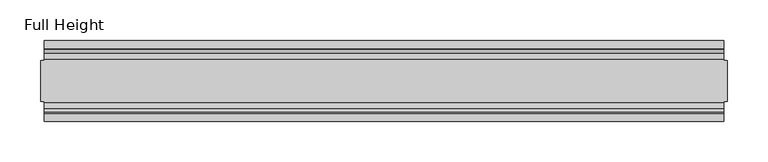
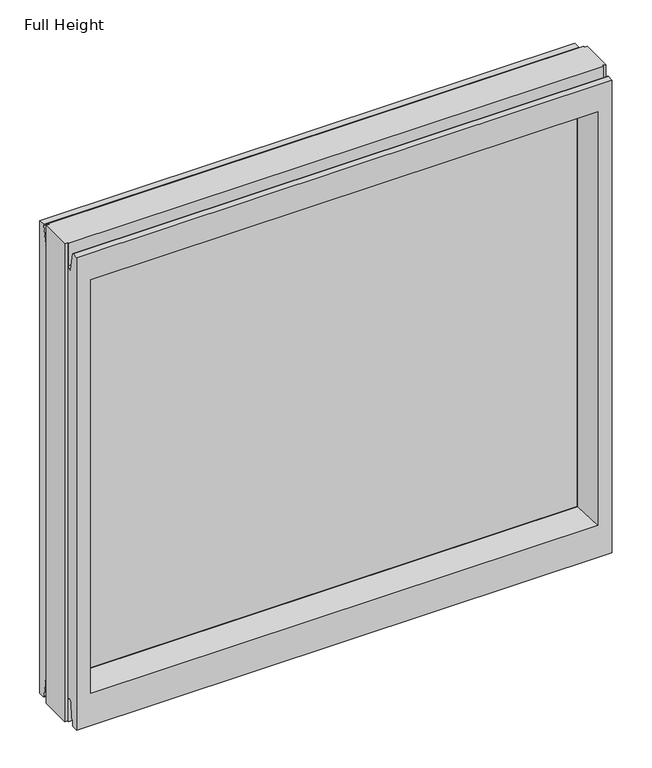
"""IFC4 building model written with IfcOpenShell, lengths in millimetres: plate geometry, Full Height."""

from ifc_helpers import new_model, si_unit, frame, origin, place, context, project, spatial, polyline, circle_curve, outline, extrude, source, transform, mapped, element, save
from ifc_brep_helpers import plane_surface, cylinder_surface, revolved_surface, advanced_brep


def full_height_12fe205a(model_context):
    return source(origin(), model_context, "Body", "SolidModel", [
        advanced_brep(
        [(423.0499086, -25.146, 789.94), (423.0499086, -25.146, 0.0), (423.0499086, 25.146, 0.0), (423.0499086, 25.146, 789.94), (-423.0499086, 25.146, 789.94), (-423.0499086, 25.146, 0.0), (-423.0499086, -25.146, 0.0), (-423.0499086, -25.146, 789.94), (418.4779086, 25.146, 789.94), (418.4779086, 26.67, 789.94), (-418.4779086, 26.67, 789.94), (-418.4779086, 25.146, 789.94), (-418.4779086, -25.146, 789.94), (-418.4779086, -26.67, 789.94), (418.4779086, -26.67, 789.94), (418.4779086, -25.146, 789.94), (418.4779086, -25.146, 0.0), (418.4779086, -26.67, 0.0), (-418.4779086, -26.67, 0.0), (-418.4779086, -25.146, 0.0), (-418.4779086, 25.146, 0.0), (-418.4779086, 26.67, 0.0), (418.4779086, 26.67, 0.0), (418.4779086, 25.146, 0.0), (-418.4779086, -40.7946686, 0.0), (418.4779086, -40.7946686, 0.0), (418.4779086, -50.0, 0.0), (-418.4779086, -50.0, 0.0), (418.4779086, -26.67, 36.4542208), (-418.4779086, -26.67, 36.4542208), (-418.4779086, 26.67, 752.729), (-418.4779086, 34.2321175, 752.0674004), (-418.4779086, 39.1867152, 780.1663199), (-418.4779086, 39.9371387, 780.796), (-418.4779086, 50.0, 780.796), (-418.4779086, 50.0, 0.0), (-418.4779086, 40.7946686, 0.0), (-418.4779086, 39.5246686, 1.27), (-418.4779086, 39.5246686, 7.9074686), (-418.4779086, 39.043018, 8.6755976), (-418.4779086, 36.9464913, 11.6561909), (-418.4779086, 34.2686707, 36.8568054), (-418.4779086, 26.67, 36.4542208), (-418.4779086, -50.0, 780.796), (-418.4779086, -39.9371387, 780.796), (-418.4779086, -39.1867152, 780.1663199), (-418.4779086, -34.2321175, 752.0674004), (-418.4779086, -26.67, 752.729), (-418.4779086, -34.2686707, 36.8568054), (-418.4779086, -36.9464913, 11.6561909), (-418.4779086, -39.043018, 8.6755976), (-418.4779086, -39.5246686, 7.9074686), (-418.4779086, -39.5246686, 1.27), (418.4779086, 50.0, 780.796), (418.4779086, 50.0, 0.0), (-396.3799086, 50.0, 736.219), (-396.3799086, 50.0, 52.8372208), (396.3799086, 50.0, 52.8372208), (396.3799086, 50.0, 736.219), (418.4779086, -50.0, 780.796), (-396.3799086, -50.0, 52.8372208), (-396.3799086, -50.0, 736.219), (396.3799086, -50.0, 736.219), (396.3799086, -50.0, 52.8372208), (-390.4109086, 6.1006519, 730.25), (-390.4109086, 6.1006519, 58.8062208), (-390.4109086, -6.1006519, 58.8062208), (-390.4109086, -6.1006519, 730.25), (390.4109086, -6.1006519, 730.25), (390.4109086, -6.1006519, 58.8062208), (390.4109086, 6.1006519, 730.25), (390.4109086, 6.1006519, 58.8062208), (418.4779086, -39.5246686, 1.27), (418.4779086, -39.5246686, 7.9074686), (418.4779086, -39.043018, 8.6755976), (418.4779086, -36.9464913, 11.6561909), (418.4779086, -34.2686707, 36.8568054), (418.4779086, -26.67, 752.729), (418.4779086, -34.2321175, 752.0674004), (418.4779086, -39.1867152, 780.1663199), (418.4779086, -39.9371387, 780.796), (418.4779086, 39.9371387, 780.796), (418.4779086, 39.1867152, 780.1663199), (418.4779086, 34.2321175, 752.0674004), (418.4779086, 26.67, 752.729), (418.4779086, 26.67, 36.4542208), (418.4779086, 34.2686707, 36.8568054), (418.4779086, 36.9464913, 11.6561909), (418.4779086, 39.043018, 8.6755976), (418.4779086, 39.5246686, 7.9074686), (418.4779086, 39.5246686, 1.27), (418.4779086, 40.7946686, 0.0)],
        [
            (0, 1),
            (1, 2),
            (2, 3),
            (3, 0),
            (4, 5),
            (5, 6),
            (6, 7),
            (7, 4),
            (3, 8),
            (8, 9),
            (9, 10),
            (10, 11),
            (11, 4),
            (7, 12),
            (12, 13),
            (13, 14),
            (14, 15),
            (15, 0),
            (1, 16),
            (16, 17),
            (17, 18),
            (18, 19),
            (19, 6),
            (5, 20),
            (20, 21),
            (21, 22),
            (22, 23),
            (23, 2),
            (15, 16),
            (23, 8),
            (11, 20),
            (19, 12),
            (24, 25),
            (25, 26),
            (26, 27),
            (27, 24),
            (17, 28),
            (28, 29),
            (29, 18),
            (10, 30),
            (30, 31, circle_curve(frame((-418.4779086, 30.48, 752.729), z_axis=(1.0, 0.0, 0.0), x_axis=(0.0, 1.0, 0.0)), 3.81)),
            (31, 32),
            (32, 33, circle_curve(frame((-418.4779086, 39.9371387, 780.034), z_axis=(-1.0, 0.0, 0.0), x_axis=(0.0, 1.0, 0.0)), 0.762)),
            (33, 34),
            (34, 35),
            (35, 36),
            (36, 37, circle_curve(frame((-418.4779086, 40.7946686, 1.27), z_axis=(-1.0, 0.0, 0.0), x_axis=(0.0, 1.0, 0.0)), 1.27)),
            (37, 38),
            (38, 39, circle_curve(frame((-418.4779086, 38.671343, 7.9074686), z_axis=(1.0, 0.0, 0.0), x_axis=(0.0, 1.0, 0.0)), 0.8533256)),
            (39, 40, circle_curve(frame((-418.4779086, 40.6770502, 12.0526006), z_axis=(-1.0, 0.0, 0.0), x_axis=(0.0, 1.0, 0.0)), 3.751561)),
            (40, 41),
            (41, 42, circle_curve(frame((-418.4779086, 30.48, 36.4542208), z_axis=(1.0, 0.0, 0.0), x_axis=(0.0, 1.0, 0.0)), 3.81)),
            (42, 21),
            (27, 43),
            (43, 44),
            (44, 45, circle_curve(frame((-418.4779086, -39.9371387, 780.034), z_axis=(-1.0, 0.0, 0.0), x_axis=(0.0, 1.0, 0.0)), 0.762)),
            (45, 46),
            (46, 47, circle_curve(frame((-418.4779086, -30.48, 752.729), z_axis=(1.0, 0.0, 0.0), x_axis=(0.0, 1.0, 0.0)), 3.81)),
            (47, 13),
            (29, 48, circle_curve(frame((-418.4779086, -30.48, 36.4542208), z_axis=(1.0, 0.0, 0.0), x_axis=(0.0, 1.0, 0.0)), 3.81)),
            (48, 49),
            (49, 50, circle_curve(frame((-418.4779086, -40.6770502, 12.0526006), z_axis=(-1.0, 0.0, 0.0), x_axis=(0.0, 1.0, 0.0)), 3.751561)),
            (50, 51, circle_curve(frame((-418.4779086, -38.671343, 7.9074686), z_axis=(1.0, 0.0, 0.0), x_axis=(0.0, 1.0, 0.0)), 0.8533256)),
            (51, 52),
            (52, 24, circle_curve(frame((-418.4779086, -40.7946686, 1.27), z_axis=(-1.0, 0.0, 0.0), x_axis=(0.0, 1.0, 0.0)), 1.27)),
            (34, 53),
            (53, 54),
            (54, 35),
            (55, 56),
            (56, 57),
            (57, 58),
            (58, 55),
            (26, 59),
            (59, 43),
            (60, 61),
            (61, 62),
            (62, 63),
            (63, 60),
            (55, 64),
            (64, 65),
            (65, 56),
            (60, 66),
            (66, 67),
            (67, 61),
            (62, 68),
            (68, 69),
            (69, 63),
            (70, 58),
            (57, 71),
            (71, 70),
            (25, 72, circle_curve(frame((418.4779086, -40.7946686, 1.27), z_axis=(1.0, 0.0, 0.0), x_axis=(0.0, 1.0, 0.0)), 1.27)),
            (72, 73),
            (73, 74, circle_curve(frame((418.4779086, -38.671343, 7.9074686), z_axis=(-1.0, 0.0, 0.0), x_axis=(0.0, 1.0, 0.0)), 0.8533256)),
            (74, 75, circle_curve(frame((418.4779086, -40.6770502, 12.0526006), z_axis=(1.0, 0.0, 0.0), x_axis=(0.0, 1.0, 0.0)), 3.751561)),
            (75, 76),
            (76, 28, circle_curve(frame((418.4779086, -30.48, 36.4542208), z_axis=(-1.0, 0.0, 0.0), x_axis=(0.0, 1.0, 0.0)), 3.81)),
            (14, 77),
            (77, 78, circle_curve(frame((418.4779086, -30.48, 752.729), z_axis=(-1.0, 0.0, 0.0), x_axis=(0.0, 1.0, 0.0)), 3.81)),
            (78, 79),
            (79, 80, circle_curve(frame((418.4779086, -39.9371387, 780.034), z_axis=(1.0, 0.0, 0.0), x_axis=(0.0, 1.0, 0.0)), 0.762)),
            (80, 59),
            (53, 81),
            (81, 82, circle_curve(frame((418.4779086, 39.9371387, 780.034), z_axis=(1.0, 0.0, 0.0), x_axis=(0.0, 1.0, 0.0)), 0.762)),
            (82, 83),
            (83, 84, circle_curve(frame((418.4779086, 30.48, 752.729), z_axis=(-1.0, 0.0, 0.0), x_axis=(0.0, 1.0, 0.0)), 3.81)),
            (84, 9),
            (22, 85),
            (85, 86, circle_curve(frame((418.4779086, 30.48, 36.4542208), z_axis=(-1.0, 0.0, 0.0), x_axis=(0.0, 1.0, 0.0)), 3.81)),
            (86, 87),
            (87, 88, circle_curve(frame((418.4779086, 40.6770502, 12.0526006), z_axis=(1.0, 0.0, 0.0), x_axis=(0.0, 1.0, 0.0)), 3.751561)),
            (88, 89, circle_curve(frame((418.4779086, 38.671343, 7.9074686), z_axis=(-1.0, 0.0, 0.0), x_axis=(0.0, 1.0, 0.0)), 0.8533256)),
            (89, 90),
            (90, 91, circle_curve(frame((418.4779086, 40.7946686, 1.27), z_axis=(1.0, 0.0, 0.0), x_axis=(0.0, 1.0, 0.0)), 1.27)),
            (91, 54),
            (52, 72),
            (51, 73),
            (50, 74),
            (49, 75),
            (48, 76),
            (42, 85),
            (40, 87),
            (86, 41),
            (39, 88),
            (38, 89),
            (37, 90),
            (36, 91),
            (65, 71),
            (69, 66),
            (47, 77),
            (46, 78),
            (45, 79),
            (44, 80),
            (67, 68),
            (70, 64),
            (33, 81),
            (32, 82),
            (31, 83),
            (30, 84),
            (70, 68),
            (67, 64),
            (65, 66),
            (69, 71),
        ],
        [
            plane_surface(frame((423.0499086, 25.146, 789.94), z_axis=(1.0, 0.0, 0.0), x_axis=(0.0, 0.0, -1.0))),
            plane_surface(frame((-423.0499086, -25.146, 789.94), z_axis=(-1.0, 0.0, 0.0), x_axis=(0.0, 0.0, -1.0))),
            plane_surface(frame((418.4779086, -25.146, 789.94), z_axis=(0.0, 0.0, 1.0), x_axis=(-1.0, 0.0, 0.0))),
            plane_surface(frame((418.4779086, -25.146, 0.0), z_axis=(0.0, 0.0, -1.0), x_axis=(1.0, 0.0, 0.0))),
            plane_surface(frame((423.0499086, -25.146, 789.94), z_axis=(0.0, -1.0, 0.0), x_axis=(0.0, 0.0, -1.0))),
            plane_surface(frame((418.4779086, 25.146, 789.94), z_axis=(0.0, 1.0, 0.0), x_axis=(0.0, 0.0, -1.0))),
            plane_surface(frame((-423.0499086, 25.146, 789.94), z_axis=(0.0, 1.0, 0.0), x_axis=(0.0, 0.0, -1.0))),
            plane_surface(frame((-418.4779086, -25.146, 789.94), z_axis=(0.0, -1.0, 0.0), x_axis=(0.0, 0.0, -1.0))),
            plane_surface(frame((-418.4779086, -50.0, 0.0), z_axis=(0.0, 0.0, -1.0), x_axis=(1.0, 0.0, 0.0))),
            plane_surface(frame((-418.4779086, -26.67, 36.4542208), z_axis=(0.0, -1.0, 0.0), x_axis=(1.0, 0.0, 0.0))),
            plane_surface(frame((-418.4779086, -50.0, 748.0046), z_axis=(-1.0, 0.0, 0.0), x_axis=(0.0, 0.0, -1.0))),
            plane_surface(frame((-418.4779086, 50.0, 748.0046), z_axis=(0.0, 1.0, 0.0), x_axis=(0.0, 0.0, -1.0))),
            plane_surface(frame((-396.3799086, -50.0, 748.0046), z_axis=(0.0, -1.0, 0.0), x_axis=(0.0, 0.0, -1.0))),
            plane_surface(frame((-396.3799086, 50.0, 748.0046), z_axis=(0.9908822943533606, 0.13473039277393942, 0.0), x_axis=(0.0, 0.0, -1.0))),
            plane_surface(frame((-390.4109086, -6.1006519, 748.0046), z_axis=(0.9908822943533612, -0.13473039277393595, 0.0), x_axis=(0.0, 0.0, -1.0))),
            plane_surface(frame((396.3799086, -50.0, 748.0046), z_axis=(-0.9908822943533605, -0.1347303927739403, 0.0), x_axis=(0.0, 0.0, -1.0))),
            plane_surface(frame((390.4109086, 6.1006519, 748.0046), z_axis=(-0.9908822943533563, 0.13473039277397156, 0.0), x_axis=(0.0, 0.0, -1.0))),
            plane_surface(frame((418.4779086, 50.0, 748.0046), z_axis=(1.0, 0.0, 0.0), x_axis=(0.0, 0.0, -1.0))),
            cylinder_surface(frame((418.4779086, -40.7946686, 1.27), z_axis=(-1.0, 0.0, 0.0), x_axis=(0.0, 1.0, 0.0)), 1.27),
            plane_surface(frame((-418.4779086, -39.5246686, 1.27), z_axis=(0.0, 1.0, 0.0), x_axis=(1.0, 0.0, 0.0))),
            revolved_surface(polyline([(418.4779086, -37.8180174, 7.9074686), (-418.4779086, -37.8180174, 7.9074686)]), (418.4779086, -38.671343, 7.9074686), (1.0, 0.0, 0.0)),
            cylinder_surface(frame((418.4779086, -40.6770502, 12.0526006), z_axis=(-1.0, 0.0, 0.0), x_axis=(0.0, 1.0, 0.0)), 3.751561),
            plane_surface(frame((-418.4779086, -36.9464913, 11.6561909), z_axis=(0.0, 0.9944017560866671, -0.10566526151840369), x_axis=(1.0, 0.0, 0.0))),
            plane_surface(frame((-418.4779086, 26.67, 0.0), z_axis=(0.0, 1.0, 0.0), x_axis=(1.0, 0.0, 0.0))),
            plane_surface(frame((-418.4779086, 34.2686707, 36.8568054), z_axis=(0.0, -0.9944017560866222, -0.10566526151882655), x_axis=(1.0, 0.0, 0.0))),
            cylinder_surface(frame((418.4779086, 40.6770502, 12.0526006), z_axis=(-1.0, 0.0, 0.0), x_axis=(0.0, 1.0, 0.0)), 3.751561),
            revolved_surface(polyline([(418.4779086, 39.5246686, 7.9074686), (-418.4779086, 39.5246686, 7.9074686)]), (418.4779086, 38.671343, 7.9074686), (1.0, 0.0, 0.0)),
            plane_surface(frame((-418.4779086, 39.5246686, 7.9074686), z_axis=(0.0, -1.0, 0.0), x_axis=(1.0, 0.0, 0.0))),
            cylinder_surface(frame((418.4779086, 40.7946686, 1.27), z_axis=(-1.0, 0.0, 0.0), x_axis=(0.0, 1.0, 0.0)), 1.27),
            plane_surface(frame((-418.4779086, 40.7946686, 0.0), z_axis=(0.0, 0.0, -1.0), x_axis=(1.0, 0.0, 0.0))),
            plane_surface(frame((-418.4779086, 50.0, 52.8372208), z_axis=(0.0, 0.13473039277394738, 0.9908822943533596), x_axis=(1.0, 0.0, 0.0))),
            plane_surface(frame((-418.4779086, -6.1006519, 58.8062208), z_axis=(0.0, -0.13473039277399934, 0.9908822943533526), x_axis=(1.0, 0.0, 0.0))),
            revolved_surface(polyline([(418.4779086, -26.67, 36.4542208), (-418.4779086, -26.67, 36.4542208)]), (418.4779086, -30.48, 36.4542208), (1.0, 0.0, 0.0)),
            revolved_surface(polyline([(418.4779086, 34.29, 36.4542208), (-418.4779086, 34.29, 36.4542208)]), (418.4779086, 30.48, 36.4542208), (1.0, 0.0, 0.0)),
            plane_surface(frame((-418.4779086, -26.67, 789.94), z_axis=(0.0, -1.0, 0.0), x_axis=(1.0, 0.0, 0.0))),
            revolved_surface(polyline([(418.4779086, -26.67, 752.729), (-418.4779086, -26.67, 752.729)]), (-423.0499086, -30.48, 752.729), (1.0, 0.0, 0.0)),
            plane_surface(frame((-418.4779086, -34.2321175, 752.0674004), z_axis=(0.0, 0.9848077530113104, 0.17364817767202162), x_axis=(1.0, 0.0, 0.0))),
            cylinder_surface(frame((-423.0499086, -39.9371387, 780.034), z_axis=(-1.0, 0.0, 0.0), x_axis=(0.0, 1.0, 0.0)), 0.762),
            plane_surface(frame((-418.4779086, -39.9371387, 780.796), z_axis=(0.0, 0.0, 1.0), x_axis=(1.0, 0.0, 0.0))),
            plane_surface(frame((-418.4779086, -50.0, 736.219), z_axis=(0.0, -0.1347303927734858, -0.9908822943534225), x_axis=(1.0, 0.0, 0.0))),
            plane_surface(frame((-418.4779086, 6.1006519, 730.25), z_axis=(0.0, 0.13473039277251259, -0.9908822943535547), x_axis=(1.0, 0.0, 0.0))),
            plane_surface(frame((-418.4779086, 50.0, 780.796), z_axis=(0.0, 0.0, 1.0), x_axis=(1.0, 0.0, 0.0))),
            cylinder_surface(frame((-423.0499086, 39.9371387, 780.034), z_axis=(-1.0, 0.0, 0.0), x_axis=(0.0, 1.0, 0.0)), 0.762),
            plane_surface(frame((-418.4779086, 39.1867152, 780.1663199), z_axis=(0.0, -0.9848077530103844, 0.17364817767727297), x_axis=(1.0, 0.0, 0.0))),
            revolved_surface(polyline([(418.4779086, 34.29, 752.729), (-418.4779086, 34.29, 752.729)]), (-423.0499086, 30.48, 752.729), (1.0, 0.0, 0.0)),
            plane_surface(frame((-418.4779086, 26.67, 752.729), z_axis=(0.0, 1.0, 0.0), x_axis=(1.0, 0.0, 0.0))),
            plane_surface(frame((-418.4779086, -6.1006519, 730.25), z_axis=(0.0, 0.0, -1.0), x_axis=(1.0, 0.0, 0.0))),
            plane_surface(frame((-418.4779086, 6.1006519, 58.8062208), z_axis=(0.0, 0.0, 1.0), x_axis=(1.0, 0.0, 0.0))),
            plane_surface(frame((-390.4109086, 6.1006519, 748.0046), z_axis=(1.0, 0.0, 0.0), x_axis=(0.0, 0.0, -1.0))),
            plane_surface(frame((390.4109086, -6.1006519, 748.0046), z_axis=(-1.0, 0.0, 0.0), x_axis=(0.0, 0.0, -1.0))),
        ],
        [
            (0, [[1, 2, 3, 4]]),
            (1, [[5, 6, 7, 8]]),
            (2, [[-4, 9, 10, 11, 12, 13, -8, 14, 15, 16, 17, 18]]),
            (3, [[19, 20, 21, 22, 23, -6, 24, 25, 26, 27, 28, -2]]),
            (4, [[-19, -1, -18, 29]]),
            (5, [[-3, -28, 30, -9]]),
            (6, [[-24, -5, -13, 31]]),
            (7, [[-7, -23, 32, -14]]),
            (8, [[33, 34, 35, 36]]),
            (9, [[-21, 37, 38, 39]]),
            (10, [[-31, -12, 40, 41, 42, 43, 44, 45, 46, 47, 48, 49, 50, 51, 52, 53, -25]]),
            (10, [[54, 55, 56, 57, 58, 59, -15, -32, -22, -39, 60, 61, 62, 63, 64, 65, -36]]),
            (11, [[66, 67, 68, -45], [69, 70, 71, 72]]),
            (12, [[-35, 73, 74, -54], [75, 76, 77, 78]]),
            (13, [[79, 80, 81, -69]]),
            (14, [[82, 83, 84, -75]]),
            (15, [[85, 86, 87, -77]]),
            (16, [[88, -71, 89, 90]]),
            (17, [[-34, 91, 92, 93, 94, 95, 96, -37, -20, -29, -17, 97, 98, 99, 100, 101, -73]]),
            (17, [[102, 103, 104, 105, 106, -10, -30, -27, 107, 108, 109, 110, 111, 112, 113, 114, -67]]),
            (18, [[115, -91, -33, -65]]),
            (19, [[116, -92, -115, -64]]),
            (20, [[117, -93, -116, -63]]),
            (21, [[118, -94, -117, -62]]),
            (22, [[119, -95, -118, -61]]),
            (23, [[120, -107, -26, -53]]),
            (24, [[121, -109, 122, -51]]),
            (25, [[123, -110, -121, -50]]),
            (26, [[124, -111, -123, -49]]),
            (27, [[125, -112, -124, -48]]),
            (28, [[126, -113, -125, -47]]),
            (29, [[-68, -114, -126, -46]]),
            (30, [[-81, 127, -89, -70]]),
            (31, [[-87, 128, -82, -78]]),
            (32, [[-38, -96, -119, -60]]),
            (33, [[-122, -108, -120, -52]]),
            (34, [[129, -97, -16, -59]]),
            (35, [[130, -98, -129, -58]]),
            (36, [[131, -99, -130, -57]]),
            (37, [[132, -100, -131, -56]]),
            (38, [[-74, -101, -132, -55]]),
            (39, [[-84, 133, -85, -76]]),
            (40, [[-88, 134, -79, -72]]),
            (41, [[135, -102, -66, -44]]),
            (42, [[136, -103, -135, -43]]),
            (43, [[137, -104, -136, -42]]),
            (44, [[138, -105, -137, -41]]),
            (45, [[-11, -106, -138, -40]]),
            (46, [[139, -133, 140, -134]]),
            (47, [[141, -128, 142, -127]]),
            (48, [[-141, -80, -140, -83]]),
            (49, [[-142, -86, -139, -90]]),
        ],
    ),
        extrude(outline(polyline([(-390.4109086, -4.826), (-390.4109086, 4.826), (390.4109086, 4.826), (390.4109086, -4.826), (-390.4109086, -4.826)])), frame((0.0, 0.0, 58.8062208), z_axis=(0.0, 0.0, 1.0), x_axis=(1.0, 0.0, 0.0)), (0.0, 0.0, 1.0), 671.4437792),
    ])


if __name__ == "__main__":
    model = new_model("IFC4")
    model_context = context("Model", 3, world=origin())
    ifc_project = project(units=[si_unit("LENGTHUNIT", "METRE", prefix="MILLI")], contexts=[model_context])
    site = spatial("IfcSite", under=ifc_project)
    building = spatial("IfcBuilding", under=site)
    placement = place(None, origin())
    full_height_shape = full_height_12fe205a(model_context)
    element("IfcPlate", 1, ObjectType="Full Height", at=placement, inside=building, context=model_context, shape_type="MappedRepresentation", body=[
        mapped(full_height_shape, transform((0.0, 0.0, 0.0), x_axis=(1.0, 0.0, 0.0), y_axis=(0.0, 1.0, 0.0), z_axis=(0.0, 0.0, 1.0))),
    ])
    save(model, "model.ifc")
